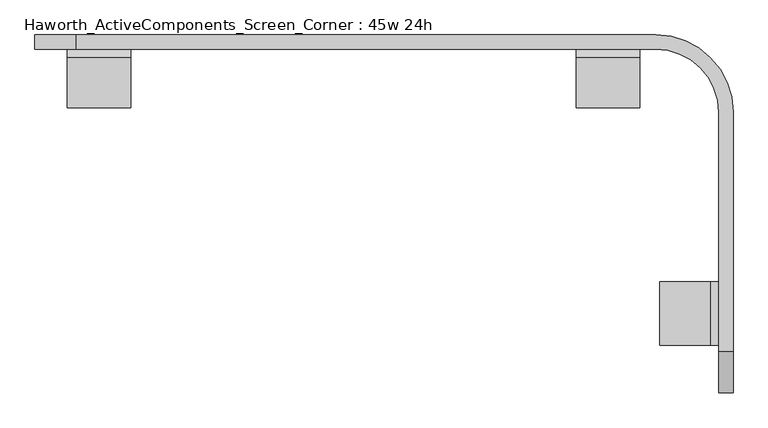
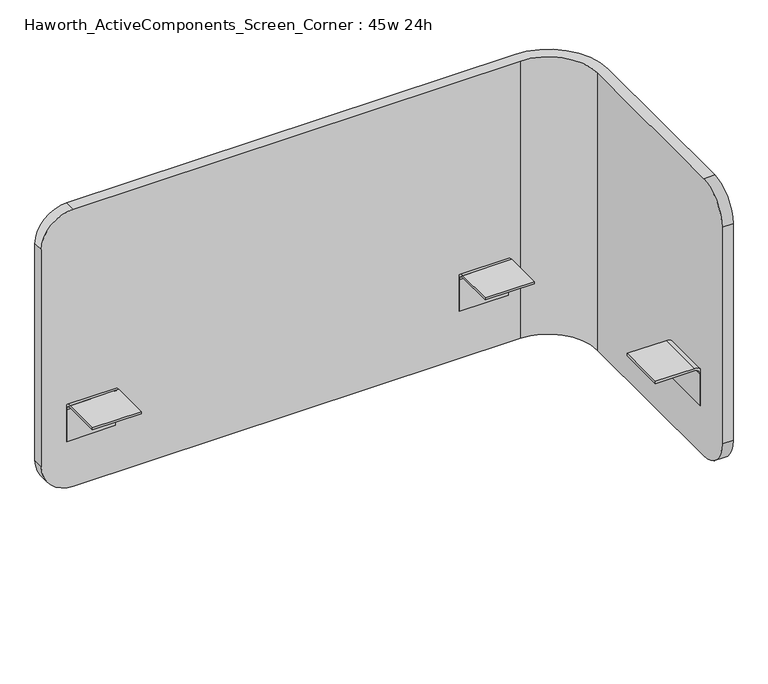
"""IFC4 building model written with IfcOpenShell, lengths in millimetres: furniture geometry, Haworth_ActiveComponents_Screen_Corner : 45w 24h."""

from ifc_helpers import new_model, si_unit, point, frame, frame_2d, origin, place, context, project, spatial, polyline, circle_curve, trimmed, segment, composite_curve, outline, extrude, source, transform, mapped, element, save
from ifc_brep_helpers import plane_surface, cylinder_surface, revolved_surface, advanced_brep


def haworth_activecomponents_screen_corner_45w_24h_effe54c0(model_context):
    return source(origin(), model_context, "Body", "SolidModel", [
        advanced_brep(
        [(213.51875, 158.2277734, 1289.05), (315.11875, 56.6277734, 1289.05), (315.11875, -326.5026391, 1289.05), (338.1375, -326.5026391, 1289.05), (338.1375, 57.4215234, 1289.05), (214.3125, 181.2465234, 1289.05), (-715.9625, 181.2465234, 1289.05), (-715.9625, 158.2277734, 1289.05), (214.3125, 181.2465234, 679.45), (338.1375, 57.4215234, 679.45), (338.1375, -326.5026391, 679.45), (315.11875, -326.5026391, 679.45), (315.11875, 56.6277734, 679.45), (213.51875, 158.2277734, 679.45), (-715.9625, 158.2277734, 679.45), (-715.9625, 181.2465234, 679.45), (-782.6375, 181.2465234, 746.125), (-782.6375, 181.2465234, 1222.375), (-782.6375, 158.2277734, 746.125), (-782.6375, 158.2277734, 1222.375), (315.11875, -393.1776391, 746.125), (315.11875, -393.1776391, 1222.375), (338.1375, -393.1776391, 746.125), (338.1375, -393.1776391, 1222.375)],
        [
            (0, 1, circle_curve(frame((213.51875, 56.6277734, 1289.05), z_axis=(0.0, 0.0, -1.0), x_axis=(1.0, 0.0, 0.0)), 101.6)),
            (1, 2),
            (2, 3),
            (3, 4),
            (4, 5, circle_curve(frame((214.3125, 57.4215234, 1289.05), z_axis=(0.0, 0.0, 1.0), x_axis=(1.0, 0.0, 0.0)), 123.825)),
            (5, 6),
            (6, 7),
            (7, 0),
            (8, 9, circle_curve(frame((214.3125, 57.4215234, 679.45), z_axis=(0.0, 0.0, -1.0), x_axis=(1.0, 0.0, 0.0)), 123.825)),
            (9, 10),
            (10, 11),
            (11, 12),
            (12, 13, circle_curve(frame((213.51875, 56.6277734, 679.45), z_axis=(0.0, 0.0, 1.0), x_axis=(1.0, 0.0, 0.0)), 101.6)),
            (13, 14),
            (14, 15),
            (15, 8),
            (5, 8),
            (15, 16, circle_curve(frame((-715.9625, 181.2465234, 746.125), z_axis=(0.0, 1.0, 0.0), x_axis=(0.0, 0.0, -1.0)), 66.675)),
            (16, 17),
            (17, 6, circle_curve(frame((-715.9625, 181.2465234, 1222.375), z_axis=(0.0, 1.0, 0.0), x_axis=(0.0, 0.0, -1.0)), 66.675)),
            (16, 18),
            (18, 19),
            (19, 17),
            (13, 0),
            (7, 19, circle_curve(frame((-715.9625, 158.2277734, 1222.375), z_axis=(0.0, -1.0, 0.0), x_axis=(0.0, 0.0, -1.0)), 66.675)),
            (18, 14, circle_curve(frame((-715.9625, 158.2277734, 746.125), z_axis=(0.0, -1.0, 0.0), x_axis=(0.0, 0.0, -1.0)), 66.675)),
            (12, 1),
            (11, 20, circle_curve(frame((315.11875, -326.5026391, 746.125), z_axis=(-1.0, 0.0, 0.0), x_axis=(0.0, 1.0, 0.0)), 66.675)),
            (20, 21),
            (21, 2, circle_curve(frame((315.11875, -326.5026391, 1222.375), z_axis=(-1.0, 0.0, 0.0), x_axis=(0.0, 1.0, 0.0)), 66.675)),
            (20, 22),
            (22, 23),
            (23, 21),
            (9, 4),
            (3, 23, circle_curve(frame((338.1375, -326.5026391, 1222.375), z_axis=(1.0, 0.0, 0.0), x_axis=(0.0, 1.0, 0.0)), 66.675)),
            (22, 10, circle_curve(frame((338.1375, -326.5026391, 746.125), z_axis=(1.0, 0.0, 0.0), x_axis=(0.0, 1.0, 0.0)), 66.675)),
        ],
        [
            plane_surface(frame((-782.6375, 181.2465234, 1289.05), z_axis=(0.0, 0.0, 1.0), x_axis=(-1.0, 0.0, 0.0))),
            plane_surface(frame((-782.6375, 181.2465234, 679.45), z_axis=(0.0, 0.0, -1.0), x_axis=(1.0, 0.0, 0.0))),
            plane_surface(frame((214.3125, 181.2465234, 1289.05), z_axis=(0.0, 1.0, 0.0), x_axis=(0.0, 0.0, -1.0))),
            plane_surface(frame((-782.6375, 181.2465234, 1289.05), z_axis=(-1.0, 0.0, 0.0), x_axis=(0.0, 0.0, -1.0))),
            plane_surface(frame((-782.6375, 158.2277734, 1289.05), z_axis=(0.0, -1.0, 0.0), x_axis=(0.0, 0.0, -1.0))),
            revolved_surface(polyline([(315.11875, 56.6277734, 679.45), (315.11875, 56.6277734, 1289.05)]), (213.51875, 56.6277734, 679.45), (0.0, 0.0, -1.0)),
            plane_surface(frame((315.11875, 56.6277734, 1289.05), z_axis=(-1.0, 0.0, 0.0), x_axis=(0.0, 0.0, -1.0))),
            plane_surface(frame((315.11875, -393.1776391, 1289.05), z_axis=(0.0, -1.0, 0.0), x_axis=(0.0, 0.0, -1.0))),
            plane_surface(frame((338.1375, -393.1776391, 1289.05), z_axis=(1.0, 0.0, 0.0), x_axis=(0.0, 0.0, -1.0))),
            cylinder_surface(frame((214.3125, 57.4215234, 679.45), z_axis=(0.0, 0.0, 1.0), x_axis=(1.0, 0.0, 0.0)), 123.825),
            cylinder_surface(frame((254.8455077, -326.5026391, 1222.375), z_axis=(-1.0, 0.0, 0.0), x_axis=(0.0, 1.0, 0.0)), 66.675),
            cylinder_surface(frame((-222.25, -326.5026391, 746.125), z_axis=(-1.0, 0.0, 0.0), x_axis=(0.0, 1.0, 0.0)), 66.675),
            cylinder_surface(frame((-715.9625, 114.7614853, 1222.375), z_axis=(0.0, -1.0, 0.0), x_axis=(0.0, 0.0, -1.0)), 66.675),
            cylinder_surface(frame((-715.9625, 169.7371484, 746.125), z_axis=(0.0, -1.0, 0.0), x_axis=(0.0, 0.0, -1.0)), 66.675),
        ],
        [
            (0, [[1, 2, 3, 4, 5, 6, 7, 8]]),
            (1, [[9, 10, 11, 12, 13, 14, 15, 16]]),
            (2, [[17, -16, 18, 19, 20, -6]]),
            (3, [[-19, 21, 22, 23]]),
            (4, [[24, -8, 25, -22, 26, -14]]),
            (5, [[-1, -24, -13, 27]]),
            (6, [[-27, -12, 28, 29, 30, -2]]),
            (7, [[-29, 31, 32, 33]]),
            (8, [[34, -4, 35, -32, 36, -10]]),
            (9, [[-5, -34, -9, -17]]),
            (10, [[-3, -30, -33, -35]]),
            (11, [[-11, -36, -31, -28]]),
            (12, [[-7, -20, -23, -25]]),
            (13, [[-15, -26, -21, -18]]),
        ],
    ),
        extrude(outline(composite_curve([segment(polyline([(869.95, 301.5360682), (869.95, 220.7640714), (865.3780407, 220.7640714), (865.3780407, 301.5360438)]), True, "CONTINUOUS"), segment(trimmed(circle_curve(frame_2d((852.6780165, 301.5360438)), 12.7000242), [point((865.3780407, 301.5360438))], [point((852.6780165, 314.236068))], True, "CARTESIAN"), True, "CONTINUOUS"), segment(polyline([(852.6780165, 314.236068), (783.3360281, 314.236068), (783.3360281, 318.8080688), (852.6779994, 318.8080688)]), True, "CONTINUOUS"), segment(trimmed(circle_curve(frame_2d((852.6779994, 301.5360682)), 17.2720006), [point((852.6779994, 318.8080688))], [point((869.95, 301.5360682))], False, "CARTESIAN"), True, "CONTINUOUS")], self_intersect=False)), frame((0.0, -316.7542543, 0.0), z_axis=(0.0, 1.0, 0.0), x_axis=(0.0, 0.0, 1.0)), (0.0, 0.0, 1.0), 101.6000484),
        extrude(outline(composite_curve([segment(trimmed(circle_curve(frame_2d((144.7943486, 852.6779994)), 17.2720006), [point((144.7943486, 869.95))], [point((162.0663492, 852.6779994))], False, "CARTESIAN"), True, "CONTINUOUS"), segment(polyline([(162.0663492, 852.6779994), (162.0663492, 783.3360281), (157.4943484, 783.3360281), (157.4943484, 852.6780165)]), True, "CONTINUOUS"), segment(trimmed(circle_curve(frame_2d((144.7943242, 852.6780165)), 12.7000242), [point((157.4943484, 852.6780165))], [point((144.7943242, 865.3780407))], True, "CARTESIAN"), True, "CONTINUOUS"), segment(polyline([(144.7943242, 865.3780407), (64.0223518, 865.3780407), (64.0223518, 869.95), (144.7943486, 869.95)]), True, "CONTINUOUS")], self_intersect=False)), frame((-730.5932203, 0.0, 0.0), z_axis=(1.0, 0.0, 0.0), x_axis=(0.0, 1.0, 0.0)), (0.0, 0.0, 1.0), 101.6000484),
        extrude(outline(composite_curve([segment(trimmed(circle_curve(frame_2d((144.7943486, 852.6779994)), 17.2720006), [point((144.7943486, 869.95))], [point((162.0663492, 852.6779994))], False, "CARTESIAN"), True, "CONTINUOUS"), segment(polyline([(162.0663492, 852.6779994), (162.0663492, 783.3360281), (157.4943484, 783.3360281), (157.4943484, 852.6780165)]), True, "CONTINUOUS"), segment(trimmed(circle_curve(frame_2d((144.7943242, 852.6780165)), 12.7000242), [point((157.4943484, 852.6780165))], [point((144.7943242, 865.3780407))], True, "CARTESIAN"), True, "CONTINUOUS"), segment(polyline([(144.7943242, 865.3780407), (64.0223518, 865.3780407), (64.0223518, 869.95), (144.7943486, 869.95)]), True, "CONTINUOUS")], self_intersect=False)), frame((86.3873082, 0.0, 0.0), z_axis=(1.0, 0.0, 0.0), x_axis=(0.0, 1.0, 0.0)), (0.0, 0.0, 1.0), 101.600003),
    ])


if __name__ == "__main__":
    model = new_model("IFC4")
    model_context = context("Model", 3, world=origin())
    ifc_project = project(units=[si_unit("LENGTHUNIT", "METRE", prefix="MILLI")], contexts=[model_context])
    site = spatial("IfcSite", under=ifc_project)
    building = spatial("IfcBuilding", under=site)
    placement = place(None, origin())
    haworth_activecomponents_screen_corner_45w_24h_shape = haworth_activecomponents_screen_corner_45w_24h_effe54c0(model_context)
    element("IfcFurniture", 1, ObjectType="Haworth_ActiveComponents_Screen_Corner : 45w 24h", at=placement, inside=building, context=model_context, shape_type="MappedRepresentation", body=[
        mapped(haworth_activecomponents_screen_corner_45w_24h_shape, transform((0.0, 0.0, 0.0), x_axis=(1.0, 0.0, 0.0), y_axis=(0.0, 1.0, 0.0), z_axis=(0.0, 0.0, 1.0))),
    ])
    save(model, "model.ifc")
